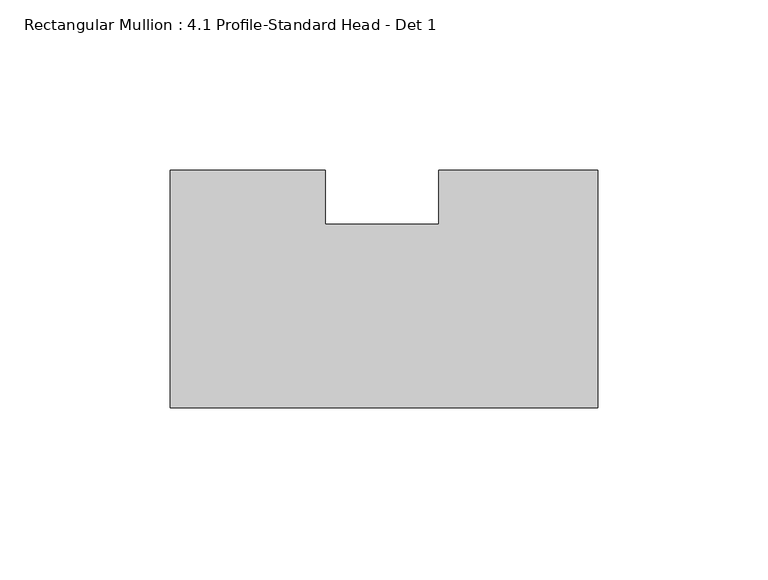
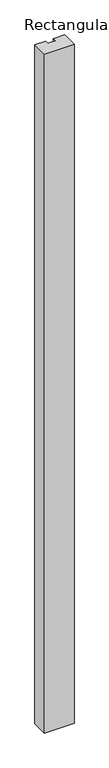
"""IFC4 building model written with IfcOpenShell, lengths in millimetres: member geometry, Rectangular Mullion : 4.1 Profile-Standard Head - Det 1."""

from ifc_helpers import new_model, si_unit, frame, origin, place, context, project, spatial, polyline, outline, extrude, source, transform, mapped, element, save


def rectangular_mullion_4_1_profile_standard_head_det_1_f95681ef(model_context):
    return source(origin(), model_context, "Body", "SweptSolid", [
        extrude(outline(polyline([(-80.1850766, 34.925), (-80.1850766, 19.05), (-46.8490799, 19.05), (-46.8490799, 34.925), (0.0, 34.925), (0.0, -34.925), (-125.7808, -34.925), (-125.7808, 34.925), (-80.1850766, 34.925)])), frame((0.0, 0.0, -3048.0), z_axis=(0.0, 0.0, 1.0), x_axis=(1.0, 0.0, 0.0)), (0.0, 0.0, 1.0), 3048.0),
    ])


if __name__ == "__main__":
    model = new_model("IFC4")
    model_context = context("Model", 3, world=origin())
    ifc_project = project(units=[si_unit("LENGTHUNIT", "METRE", prefix="MILLI")], contexts=[model_context])
    site = spatial("IfcSite", under=ifc_project)
    building = spatial("IfcBuilding", under=site)
    placement = place(None, origin())
    rectangular_mullion_4_1_profile_standard_head_det_1_shape = rectangular_mullion_4_1_profile_standard_head_det_1_f95681ef(model_context)
    element("IfcMember", 1, ObjectType="Rectangular Mullion : 4.1 Profile-Standard Head - Det 1", at=placement, inside=building, context=model_context, shape_type="MappedRepresentation", body=[
        mapped(rectangular_mullion_4_1_profile_standard_head_det_1_shape, transform((0.0, 0.0, 0.0), x_axis=(1.0, 0.0, 0.0), y_axis=(0.0, 1.0, 0.0), z_axis=(0.0, 0.0, 1.0))),
    ])
    save(model, "model.ifc")
